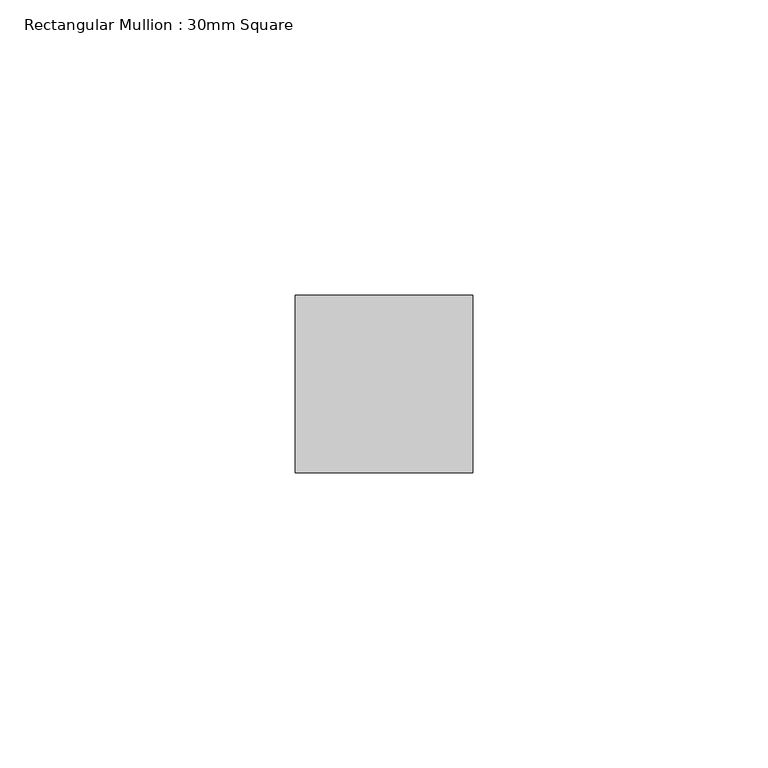
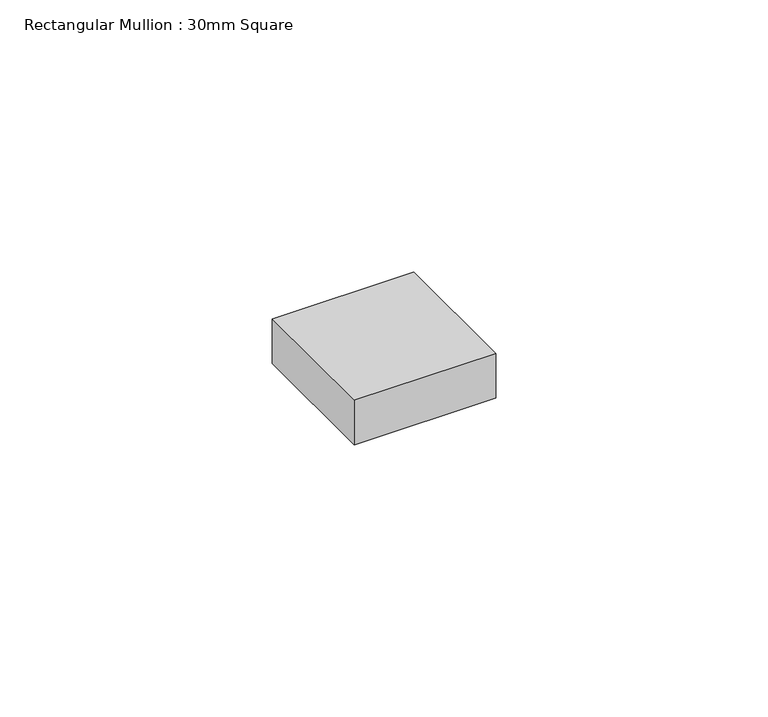
"""IFC4 building model written with IfcOpenShell, lengths in millimetres: member geometry, Rectangular Mullion : 30mm Square."""

import ifcopenshell
import ifcopenshell.guid

model = None  # the IFC model being written
_history = None  # IfcOwnerHistory: only IFC2X3 demands one
_inside = {}  # id of a spatial element -> (the spatial element, [elements in it])
_under = {}  # id of a project, library or spatial element -> (it, [spatial elements below it])
_declared = {}  # id of a project -> (the project, [libraries it declares])
_typed = {}  # id of a type object -> (the type object, [elements of that type])
_made_of = {}  # id of a material, layer set ... -> (it, [elements and type objects made of it])


def new_model(schema):
    """Start an empty IFC model of exactly this schema.

    Asked for "IFC4X3", IfcOpenShell would pick the latest addendum, in which some entities
    have other attributes; the version numbers below select the first issue.
    IFC2X3 requires an IfcOwnerHistory on every rooted entity: one is made here for all.
    """
    global model, _history
    if schema == "IFC4X3":
        model = ifcopenshell.file(schema_version=(4, 3, 0, 0))
    else:
        model = ifcopenshell.file(schema=schema)
    _inside.clear()
    _under.clear()
    _declared.clear()
    _typed.clear()
    _made_of.clear()
    _history = None
    if model.schema == "IFC2X3":
        org = make("IfcOrganization", Name="unknown")
        user = make(
            "IfcPersonAndOrganization",
            ThePerson=make("IfcPerson", FamilyName="unknown"),
            TheOrganization=org,
        )
        app = make(
            "IfcApplication",
            ApplicationDeveloper=org,
            Version="unknown",
            ApplicationFullName="unknown",
            ApplicationIdentifier="unknown",
        )
        _history = make(
            "IfcOwnerHistory",
            OwningUser=user,
            OwningApplication=app,
            ChangeAction="ADDED",
            CreationDate=0,
        )
    return model


def make(cls, **values):
    """One entity of the class cls with the attributes given. An attribute that is None is left unset."""
    return model.create_entity(
        cls, **{name: value for name, value in values.items() if value is not None}
    )


def rooted(cls, **values):
    """An entity with a GlobalId (a new one), such as an element, a storey or a relation."""
    return make(cls, GlobalId=ifcopenshell.guid.new(), OwnerHistory=_history, **values)


def si_unit(unit_type, name, prefix=None):
    """IfcSIUnit, for example si_unit("LENGTHUNIT", "METRE", prefix="MILLI")."""
    return make("IfcSIUnit", UnitType=unit_type, Prefix=prefix, Name=name)


def assignment(units):
    """IfcUnitAssignment: the units of a project."""
    return None if units is None else make("IfcUnitAssignment", Units=units)


def point(xyz):
    """IfcCartesianPoint."""
    return None if xyz is None else make("IfcCartesianPoint", Coordinates=xyz)


def direction(xyz):
    """IfcDirection."""
    return None if xyz is None else make("IfcDirection", DirectionRatios=xyz)


def frame(location, z_axis=None, x_axis=None):
    """IfcAxis2Placement3D, a coordinate frame: its origin and axes. An axis left out is left unset."""
    return make(
        "IfcAxis2Placement3D",
        Location=point(location),
        Axis=direction(z_axis),
        RefDirection=direction(x_axis),
    )


def origin():
    """The frame at (0, 0, 0) with its axes left unset."""
    return frame((0.0, 0.0, 0.0))


def place(relative_to, where):
    """IfcLocalPlacement: puts the frame where relative to a parent placement (None: the world)."""
    return make(
        "IfcLocalPlacement", PlacementRelTo=relative_to, RelativePlacement=where
    )


def context(
    kind, dimensions, precision=None, world=None, true_north=None, identifier=None
):
    """IfcGeometricRepresentationContext, for example the 3D "Model" context."""
    return make(
        "IfcGeometricRepresentationContext",
        ContextIdentifier=identifier,
        ContextType=kind,
        CoordinateSpaceDimension=dimensions,
        Precision=precision,
        WorldCoordinateSystem=world,
        TrueNorth=true_north,
    )


def project(units=None, contexts=None):
    """IfcProject with its units and contexts."""
    return rooted(
        "IfcProject",
        Name="project",
        RepresentationContexts=contexts,
        UnitsInContext=assignment(units),
    )


def spatial(cls, under=None, at=None, **own):
    """A site, building, storey or space (cls), placed at a placement, below another one or the project."""
    s = rooted(cls, ObjectPlacement=at, **own)
    if under is not None:
        _under.setdefault(under.id(), (under, []))[1].append(s)
    return s


def polyline(points):
    """IfcPolyline through the points."""
    return make("IfcPolyline", Points=[point(p) for p in points])


def outline(outer, holes=None, kind="AREA"):
    """IfcArbitraryClosedProfileDef: a profile drawn as a closed curve; with holes, ...WithVoids."""
    if holes is None:
        return make("IfcArbitraryClosedProfileDef", ProfileType=kind, OuterCurve=outer)
    return make(
        "IfcArbitraryProfileDefWithVoids",
        ProfileType=kind,
        OuterCurve=outer,
        InnerCurves=holes,
    )


def extrude(swept, where, along, depth):
    """IfcExtrudedAreaSolid: the profile swept, set in the frame where, extruded along a direction by depth."""
    return make(
        "IfcExtrudedAreaSolid",
        SweptArea=swept,
        Position=where,
        ExtrudedDirection=direction(along),
        Depth=depth,
    )


def shape(context_of_items, identifier, shape_type, items):
    """IfcShapeRepresentation: the items that make up one representation, for example the "Body"."""
    return make(
        "IfcShapeRepresentation",
        ContextOfItems=context_of_items,
        RepresentationIdentifier=identifier,
        RepresentationType=shape_type,
        Items=items,
    )


def source(mapping_origin, context_of_items, identifier, shape_type, items):
    """IfcRepresentationMap: a shape defined once, which mapped items show again and again."""
    return make(
        "IfcRepresentationMap",
        MappingOrigin=mapping_origin,
        MappedRepresentation=shape(context_of_items, identifier, shape_type, items),
    )


def transform(
    local_origin,
    x_axis=None,
    y_axis=None,
    z_axis=None,
    scale=None,
    scale2=None,
    scale3=None,
    uniform=True,
):
    """IfcCartesianTransformationOperator3D, or its non-uniform kind. x_axis, y_axis, z_axis: its Axis1, 2, 3."""
    if uniform:
        return make(
            "IfcCartesianTransformationOperator3D",
            Axis1=direction(x_axis),
            Axis2=direction(y_axis),
            LocalOrigin=point(local_origin),
            Scale=scale,
            Axis3=direction(z_axis),
        )
    return make(
        "IfcCartesianTransformationOperator3DnonUniform",
        Axis1=direction(x_axis),
        Axis2=direction(y_axis),
        LocalOrigin=point(local_origin),
        Scale=scale,
        Axis3=direction(z_axis),
        Scale2=scale2,
        Scale3=scale3,
    )


def mapped(mapping_source, mapping_target):
    """IfcMappedItem: shows the shape of a source again, moved by a transform."""
    return make(
        "IfcMappedItem", MappingSource=mapping_source, MappingTarget=mapping_target
    )


def made_of(thing, what):
    """Note that an element or type object is made of a material, layer set ...; save() writes the relation."""
    if what is not None:
        _made_of.setdefault(what.id(), (what, []))[1].append(thing)
    return thing


def element(
    cls,
    number,
    at=None,
    inside=None,
    cuts=None,
    type_object=None,
    material=None,
    context=None,
    identifier="Body",
    shape_type=None,
    held_by="IfcProductDefinitionShape",
    body=None,
    shapes=None,
    **own,
):
    """One element of the class cls, such as IfcWall. Its Tag is "e" and its number.

    at: its placement. inside: the storey or other place that contains it. cuts: it is an
    opening in that element (IfcRelVoidsElement). A single representation is given by context,
    identifier, shape_type and body (its items); several are given by shapes. held_by: the class
    of the entity that holds the representations. save() writes the other relations.
    """
    e = rooted(cls, Tag="e%d" % number, ObjectPlacement=at, **own)
    if body is not None:
        shapes = [shape(context, identifier, shape_type, body)]
    if shapes is not None:
        e.Representation = make(held_by, Representations=shapes)
    if inside is not None:
        _inside.setdefault(inside.id(), (inside, []))[1].append(e)
    if cuts is not None:
        rooted(
            "IfcRelVoidsElement", RelatingBuildingElement=cuts, RelatedOpeningElement=e
        )
    if type_object is not None:
        _typed.setdefault(type_object.id(), (type_object, []))[1].append(e)
    return made_of(e, material)


def aggregate(whole, parts):
    """IfcRelAggregates: a whole, such as a stair, and the parts it consists of."""
    return rooted("IfcRelAggregates", RelatingObject=whole, RelatedObjects=parts)


def save(model, path):
    """Write the relations noted so far, then the file.

    IfcRelAggregates (storeys below a building ...), IfcRelContainedInSpatialStructure (elements
    in a storey), IfcRelDefinesByType, IfcRelAssociatesMaterial and IfcRelDeclares: one each for
    every whole, place, type object, material and project.
    """
    for whole, parts in _under.values():
        aggregate(whole, parts)
    for where, things in _inside.values():
        rooted(
            "IfcRelContainedInSpatialStructure",
            RelatedElements=things,
            RelatingStructure=where,
        )
    for kind, things in _typed.values():
        rooted("IfcRelDefinesByType", RelatedObjects=things, RelatingType=kind)
    for what, things in _made_of.values():
        rooted("IfcRelAssociatesMaterial", RelatedObjects=things, RelatingMaterial=what)
    for by, libraries in _declared.values():
        rooted("IfcRelDeclares", RelatingContext=by, RelatedDefinitions=libraries)
    model.write(path)


def rectangular_mullion_30mm_square_97f952d8(model_context):
    return source(origin(), model_context, "Body", "SweptSolid", [
        extrude(outline(polyline([(15.0, 15.0), (15.0, -15.0), (-15.0, -15.0), (-15.0, 15.0), (15.0, 15.0)])), frame((0.0, 0.0, -10.0), z_axis=(0.0, 0.0, 1.0), x_axis=(1.0, 0.0, 0.0)), (0.0, 0.0, 1.0), 10.0),
    ])


if __name__ == "__main__":
    model = new_model("IFC4")
    model_context = context("Model", 3, world=origin())
    ifc_project = project(units=[si_unit("LENGTHUNIT", "METRE", prefix="MILLI")], contexts=[model_context])
    site = spatial("IfcSite", under=ifc_project)
    building = spatial("IfcBuilding", under=site)
    placement = place(None, origin())
    rectangular_mullion_30mm_square_shape = rectangular_mullion_30mm_square_97f952d8(model_context)
    element("IfcMember", 1, ObjectType="Rectangular Mullion : 30mm Square", at=placement, inside=building, context=model_context, shape_type="MappedRepresentation", body=[
        mapped(rectangular_mullion_30mm_square_shape, transform((0.0, 0.0, 0.0), x_axis=(1.0, 0.0, 0.0), y_axis=(0.0, 1.0, 0.0), z_axis=(0.0, 0.0, 1.0))),
    ])
    save(model, "model.ifc")
